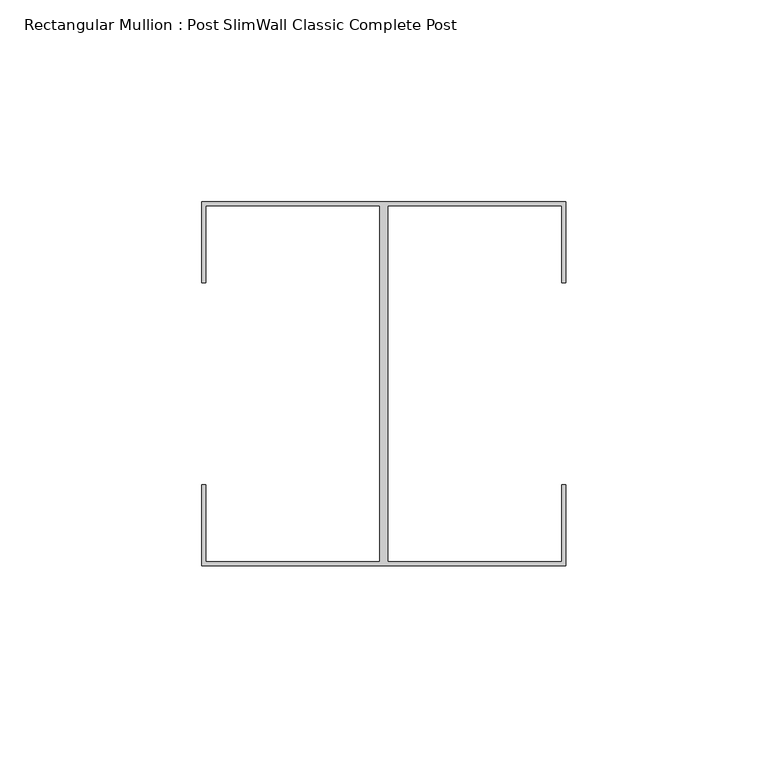
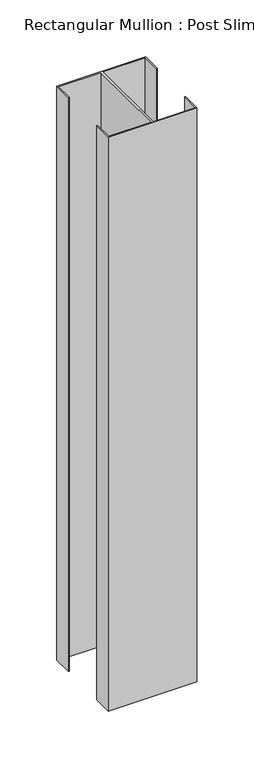
"""IFC4 building model written with IfcOpenShell, lengths in millimetres: member geometry, Rectangular Mullion : Post SlimWall Classic Complete Post."""

from ifc_helpers import new_model, si_unit, frame, origin, place, context, project, spatial, polyline, outline, extrude, source, transform, mapped, element, save


def rectangular_mullion_post_slimwall_classic_complete_post_a39f6ce2(model_context):
    return source(origin(), model_context, "Body", "SweptSolid", [
        extrude(outline(polyline([(44.05, 44.05), (1.0, 44.05), (1.0, -44.05), (44.05, -44.05), (44.05, -25.0), (45.0, -25.0), (45.0, -45.0), (-45.0, -45.0), (-45.0, -25.0), (-44.05, -25.0), (-44.05, -44.05), (-1.0, -44.05), (-1.0, 44.05), (-44.05, 44.05), (-44.05, 25.0), (-45.0, 25.0), (-45.0, 45.0), (45.0, 45.0), (45.0, 25.0), (44.05, 25.0), (44.05, 44.05)])), frame((0.0, 0.0, -615.0), z_axis=(0.0, 0.0, 1.0), x_axis=(1.0, 0.0, 0.0)), (0.0, 0.0, 1.0), 615.0),
    ])


if __name__ == "__main__":
    model = new_model("IFC4")
    model_context = context("Model", 3, world=origin())
    ifc_project = project(units=[si_unit("LENGTHUNIT", "METRE", prefix="MILLI")], contexts=[model_context])
    site = spatial("IfcSite", under=ifc_project)
    building = spatial("IfcBuilding", under=site)
    placement = place(None, origin())
    rectangular_mullion_post_slimwall_classic_complete_post_shape = rectangular_mullion_post_slimwall_classic_complete_post_a39f6ce2(model_context)
    element("IfcMember", 1, ObjectType="Rectangular Mullion : Post SlimWall Classic Complete Post", at=placement, inside=building, context=model_context, shape_type="MappedRepresentation", body=[
        mapped(rectangular_mullion_post_slimwall_classic_complete_post_shape, transform((0.0, 0.0, 0.0), x_axis=(1.0, 0.0, 0.0), y_axis=(0.0, 1.0, 0.0), z_axis=(0.0, 0.0, 1.0))),
    ])
    save(model, "model.ifc")
